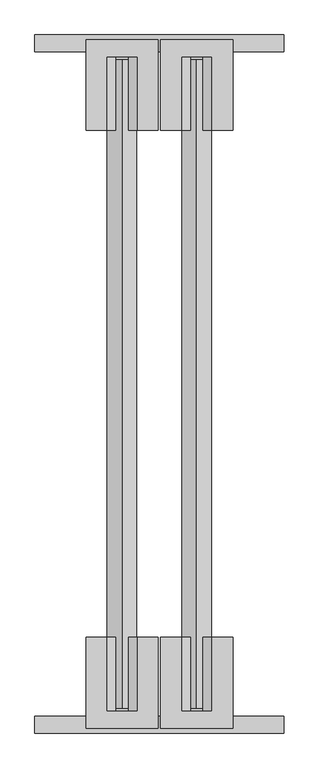
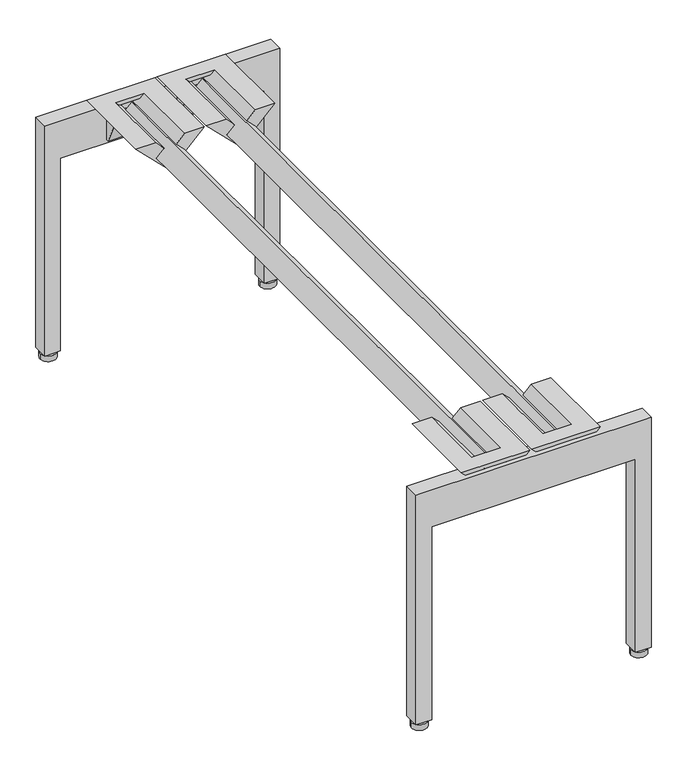
"""IFC4 building model written with IfcOpenShell, lengths in millimetres: furniture geometry."""

from ifc_helpers import new_model, si_unit, point, frame, frame_2d, origin, origin_with_axes, place, context, project, spatial, polyline, circle_curve, trimmed, segment, composite_curve, outline, extrude, faceted_brep, source, transform, mapped, element, save


def furniture_8299800d(model_context):
    return source(origin(), model_context, "Body", "SolidModel", [
        extrude(outline(composite_curve([segment(trimmed(circle_curve(frame_2d((368.2999996, -1054.0999999)), 3.9687499), [point((372.2687495, -1054.0999999))], [point((364.3312497, -1054.0999999))], False, "CARTESIAN"), True, "CONTINUOUS"), segment(trimmed(circle_curve(frame_2d((368.2999996, -1054.0999999)), 3.9687499), [point((364.3312497, -1054.0999999))], [point((372.2687495, -1054.0999999))], False, "CARTESIAN"), True, "CONTINUOUS")], self_intersect=False)), frame((0.0, 0.0, 9.525), z_axis=(0.0, 0.0, 1.0), x_axis=(1.0, 0.0, 0.0)), (0.0, 0.0, 1.0), 3.1750004),
        extrude(outline(composite_curve([segment(trimmed(circle_curve(frame_2d((368.2999996, -1054.0999996)), 12.7000004), [point((381.0, -1054.0999996))], [point((355.5999992, -1054.0999996))], False, "CARTESIAN"), True, "CONTINUOUS"), segment(trimmed(circle_curve(frame_2d((368.2999996, -1054.0999996)), 12.7000004), [point((355.5999992, -1054.0999996))], [point((381.0, -1054.0999996))], False, "CARTESIAN"), True, "CONTINUOUS")], self_intersect=False)), origin_with_axes(), (0.0, 0.0, 1.0), 9.525),
        faceted_brep([(192.4050254, -920.7522285, 412.7499879), (224.1549952, -920.7522285, 412.7499879), (237.8993597, -920.7522285, 399.0056233), (225.1993586, -920.7522285, 386.3056404), (247.6500091, -920.7522285, 363.8549982), (270.1006464, -920.7522285, 386.3056355), (257.4006403, -920.7522285, 399.0056233), (271.1450048, -920.7522285, 412.7499879), (302.8949746, -920.7522285, 412.7499879), (247.65, -920.7522285, 357.5050133), (192.4050254, -1059.1847672, 412.7499879), (247.65, -1059.1847672, 357.5050133), (302.8949746, -1059.1847672, 412.7499879), (257.4006403, -1059.1847672, 399.0056233), (270.1006464, -1059.1847672, 386.3056355), (247.6500091, -1059.1847672, 363.8549982), (225.1993586, -1059.1847672, 386.3056404), (237.8993597, -1059.1847672, 399.0056233), (230.5049709, -1059.1847672, 406.4000121), (264.7950291, -1059.1847672, 406.4000121), (247.65, -1032.3509835, 357.5050133), (214.2753111, -1016.389187, 390.8797022), (214.2753111, -1041.3999992, 390.8797022), (247.65, -1041.3999992, 357.5050133), (280.9503111, -1041.3999992, 390.8053245), (280.9503111, -1016.424759, 390.8053245), (270.1006464, -1041.3999992, 386.3056355), (247.6500091, -1041.3999992, 363.8549982), (247.6500091, -1029.3140364, 363.8549982), (270.1006464, -1018.5767826, 386.3056355), (225.1993586, -1041.3999992, 386.3056404), (225.1993586, -1018.5767803, 386.3056404), (271.1450048, -1033.7822252, 412.7499879), (224.1549952, -1033.7822252, 412.7499879), (264.7950291, -1033.7822252, 406.4000121), (264.7128134, -1015.9999985, 391.6934607), (264.7128134, -1041.3999992, 391.6934607), (230.5871866, -1041.3999992, 391.6934607), (230.5871866, -1015.9999985, 391.6934607), (230.5049709, -1033.7822252, 406.4000121), (280.9503111, -1036.3199995, 349.2061558), (280.9503111, -1041.3999992, 349.2061558), (214.2753111, -1041.3999992, 349.2061558), (214.2753111, -1036.3199995, 349.2061558)], [[[0, 1, 2, 3, 4, 5, 6, 7, 8, 9]], [[10, 11, 12], [13, 14, 15, 16, 17, 18, 19]], [[9, 20, 21, 22, 23, 11, 10, 0]], [[12, 11, 23, 24, 25, 20, 9, 8]], [[14, 26, 27, 15]], [[4, 28, 29, 5]], [[15, 27, 30, 16]], [[3, 31, 28, 4]], [[7, 32, 33, 1, 0, 10, 12, 8]], [[6, 13, 19, 34, 32, 7]], [[5, 29, 35, 36, 26, 14, 13, 6]], [[2, 17, 16, 30, 37, 38, 31, 3]], [[1, 33, 39, 18, 17, 2]], [[40, 25, 24, 41]], [[42, 22, 21, 43]], [[37, 30, 27, 26, 36]], [[41, 24, 23, 22, 42]], [[36, 35, 38, 37]], [[35, 29, 28, 31, 38]], [[43, 21, 20, 25, 40]], [[41, 42, 43, 40]], [[32, 34, 39, 33]], [[18, 39, 34, 19]]]),
        faceted_brep([(78.1050254, -920.7522285, 412.7499879), (109.8550042, -920.7522285, 412.7499879), (123.5993597, -920.7522285, 399.0056233), (110.8993631, -920.7522285, 386.3056358), (133.3500091, -920.7522285, 363.8549982), (155.8006464, -920.7522285, 386.3056355), (143.1006403, -920.7522285, 399.0056233), (156.8450048, -920.7522285, 412.7499879), (188.5949746, -920.7522285, 412.7499879), (133.35, -920.7522285, 357.5050133), (78.1050254, -1059.1847672, 412.7499879), (133.35, -1059.1847672, 357.5050133), (188.5949746, -1059.1847672, 412.7499879), (143.1006403, -1059.1847672, 399.0056233), (155.8006464, -1059.1847672, 386.3056355), (133.3500091, -1059.1847672, 363.8549982), (110.8993631, -1059.1847672, 386.3056358), (123.5993597, -1059.1847672, 399.0056233), (116.2049758, -1059.1847672, 406.4000121), (150.4950291, -1059.1847672, 406.4000121), (133.35, -1032.3509835, 357.5050133), (99.9753021, -1016.3891827, 390.8797113), (99.9753021, -1041.3999992, 390.8797113), (133.35, -1041.3999992, 357.5050133), (166.6503111, -1041.3999992, 390.8053245), (166.6503111, -1016.424759, 390.8053245), (155.8006464, -1041.3999992, 386.3056355), (133.3500091, -1041.3999992, 363.8549982), (133.3500091, -1029.3140364, 363.8549982), (155.8006464, -1018.5767826, 386.3056355), (110.8993631, -1041.3999992, 386.3056358), (110.8993631, -1018.5767825, 386.3056358), (156.8450048, -1033.7822252, 412.7499879), (109.8550042, -1033.7822252, 412.7499879), (150.4950291, -1033.7822252, 406.4000121), (150.4128134, -1015.9999985, 391.6934607), (150.4128134, -1041.3999992, 391.6934607), (116.2871918, -1041.3999992, 391.6934607), (116.2871918, -1015.9999985, 391.6934607), (116.2049758, -1033.7822252, 406.4000121), (166.6503111, -1036.3199995, 349.2061558), (166.6503111, -1041.3999992, 349.2061558), (99.9753021, -1041.3999992, 349.2061558), (99.9753021, -1036.3199995, 349.2061558)], [[[0, 1, 2, 3, 4, 5, 6, 7, 8, 9]], [[10, 11, 12], [13, 14, 15, 16, 17, 18, 19]], [[9, 20, 21, 22, 23, 11, 10, 0]], [[12, 11, 23, 24, 25, 20, 9, 8]], [[14, 26, 27, 15]], [[4, 28, 29, 5]], [[15, 27, 30, 16]], [[3, 31, 28, 4]], [[7, 32, 33, 1, 0, 10, 12, 8]], [[6, 13, 19, 34, 32, 7]], [[5, 29, 35, 36, 26, 14, 13, 6]], [[2, 17, 16, 30, 37, 38, 31, 3]], [[1, 33, 39, 18, 17, 2]], [[40, 25, 24, 41]], [[42, 22, 21, 43]], [[37, 30, 27, 26, 36]], [[41, 24, 23, 22, 42]], [[36, 35, 38, 37]], [[35, 29, 28, 31, 38]], [[43, 21, 20, 25, 40]], [[41, 42, 43, 40]], [[32, 34, 39, 33]], [[18, 39, 34, 19]]]),
        extrude(outline(polyline([(12.7000004, 0.0), (12.7000004, 25.4000008), (342.9, 25.4000008), (342.9, 355.5999879), (12.7000004, 355.5999879), (12.7000004, 381.0), (406.4000121, 381.0), (406.4000121, 0.0), (12.7000004, 0.0)])), frame((0.0, -1066.8, 0.0), z_axis=(0.0, 1.0, 0.0), x_axis=(0.0, 0.0, 1.0)), (0.0, 0.0, 1.0), 25.4000008),
        extrude(outline(composite_curve([segment(trimmed(circle_curve(frame_2d((12.7000004, -1054.0999999)), 3.9687499), [point((16.6687503, -1054.0999999))], [point((8.7312505, -1054.0999999))], False, "CARTESIAN"), True, "CONTINUOUS"), segment(trimmed(circle_curve(frame_2d((12.7000004, -1054.0999999)), 3.9687499), [point((8.7312505, -1054.0999999))], [point((16.6687503, -1054.0999999))], False, "CARTESIAN"), True, "CONTINUOUS")], self_intersect=False)), frame((0.0, 0.0, 9.525), z_axis=(0.0, 0.0, 1.0), x_axis=(1.0, 0.0, 0.0)), (0.0, 0.0, 1.0), 3.1750004),
        extrude(outline(composite_curve([segment(trimmed(circle_curve(frame_2d((12.7000004, -1054.0999996)), 12.7000004), [point((25.4000008, -1054.0999996))], [point((0.0, -1054.0999996))], False, "CARTESIAN"), True, "CONTINUOUS"), segment(trimmed(circle_curve(frame_2d((12.7000004, -1054.0999996)), 12.7000004), [point((0.0, -1054.0999996))], [point((25.4000008, -1054.0999996))], False, "CARTESIAN"), True, "CONTINUOUS")], self_intersect=False)), origin_with_axes(), (0.0, 0.0, 1.0), 9.525),
        extrude(outline(composite_curve([segment(trimmed(circle_curve(frame_2d((368.2999996, -12.7000001)), 3.9687499), [point((372.2687495, -12.7000001))], [point((364.3312497, -12.7000001))], False, "CARTESIAN"), True, "CONTINUOUS"), segment(trimmed(circle_curve(frame_2d((368.2999996, -12.7000001)), 3.9687499), [point((364.3312497, -12.7000001))], [point((372.2687495, -12.7000001))], False, "CARTESIAN"), True, "CONTINUOUS")], self_intersect=False)), frame((0.0, 0.0, 9.525), z_axis=(0.0, 0.0, 1.0), x_axis=(1.0, 0.0, 0.0)), (0.0, 0.0, 1.0), 3.1750004),
        extrude(outline(composite_curve([segment(trimmed(circle_curve(frame_2d((368.2999996, -12.7000004)), 12.7000004), [point((381.0, -12.7000004))], [point((355.5999992, -12.7000004))], False, "CARTESIAN"), True, "CONTINUOUS"), segment(trimmed(circle_curve(frame_2d((368.2999996, -12.7000004)), 12.7000004), [point((355.5999992, -12.7000004))], [point((381.0, -12.7000004))], False, "CARTESIAN"), True, "CONTINUOUS")], self_intersect=False)), origin_with_axes(), (0.0, 0.0, 1.0), 9.525),
        faceted_brep([(192.4050254, -146.0477715, 412.7499879), (247.65, -146.0477715, 357.5050133), (302.8949746, -146.0477715, 412.7499879), (271.1450048, -146.0477715, 412.7499879), (257.4006403, -146.0477715, 399.0056233), (270.1006464, -146.0477715, 386.3056355), (247.6500091, -146.0477715, 363.8549982), (225.1993586, -146.0477715, 386.3056404), (237.8993597, -146.0477715, 399.0056233), (224.1549952, -146.0477715, 412.7499879), (192.4050254, -7.6152328, 412.7499879), (302.8949746, -7.6152328, 412.7499879), (247.65, -7.6152328, 357.5050133), (257.4006403, -7.6152328, 399.0056233), (264.7950291, -7.6152328, 406.4000121), (230.5049709, -7.6152328, 406.4000121), (237.8993597, -7.6152328, 399.0056233), (225.1993586, -7.6152328, 386.3056404), (247.6500091, -7.6152328, 363.8549982), (270.1006464, -7.6152328, 386.3056355), (247.65, -25.4000008, 357.5050133), (214.2753111, -25.4000008, 390.8797022), (214.2753111, -50.410813, 390.8797022), (247.65, -34.4490165, 357.5050133), (280.9503111, -50.375241, 390.8053245), (280.9503111, -25.4000008, 390.8053245), (270.1006464, -48.2232174, 386.3056355), (247.6500091, -37.4859636, 363.8549982), (247.6500091, -25.4000008, 363.8549982), (270.1006464, -25.4000008, 386.3056355), (225.1993586, -48.2232197, 386.3056404), (225.1993586, -25.4000008, 386.3056404), (224.1549952, -33.0177748, 412.7499879), (271.1450048, -33.0177748, 412.7499879), (264.7950291, -33.0177748, 406.4000121), (264.7128134, -25.4000008, 391.6934607), (264.7128134, -50.8000015, 391.6934607), (230.5871866, -50.8000015, 391.6934607), (230.5871866, -25.4000008, 391.6934607), (230.5049709, -33.0177748, 406.4000121), (280.9503111, -30.4800005, 349.2061558), (280.9503111, -25.4000008, 349.2061558), (214.2753111, -25.4000008, 349.2061558), (214.2753111, -30.4800005, 349.2061558)], [[[0, 1, 2, 3, 4, 5, 6, 7, 8, 9]], [[10, 11, 12], [13, 14, 15, 16, 17, 18, 19]], [[1, 0, 10, 12, 20, 21, 22, 23]], [[11, 2, 1, 23, 24, 25, 20, 12]], [[6, 5, 26, 27]], [[19, 18, 28, 29]], [[7, 6, 27, 30]], [[18, 17, 31, 28]], [[3, 2, 11, 10, 0, 9, 32, 33]], [[4, 3, 33, 34, 14, 13]], [[5, 4, 13, 19, 29, 35, 36, 26]], [[8, 7, 30, 37, 38, 31, 17, 16]], [[9, 8, 16, 15, 39, 32]], [[40, 41, 25, 24]], [[42, 43, 22, 21]], [[41, 42, 21, 20, 25]], [[38, 35, 29, 28, 31]], [[35, 38, 37, 36]], [[36, 37, 30, 27, 26]], [[43, 40, 24, 23, 22]], [[41, 40, 43, 42]], [[33, 32, 39, 34]], [[15, 14, 34, 39]]]),
        faceted_brep([(78.1050254, -146.0477715, 412.7499879), (133.35, -146.0477715, 357.5050133), (188.5949746, -146.0477715, 412.7499879), (156.8450048, -146.0477715, 412.7499879), (143.1006403, -146.0477715, 399.0056233), (155.8006464, -146.0477715, 386.3056355), (133.3500091, -146.0477715, 363.8549982), (110.8993631, -146.0477715, 386.3056358), (123.5993597, -146.0477715, 399.0056233), (109.8550042, -146.0477715, 412.7499879), (78.1050254, -7.6152328, 412.7499879), (188.5949746, -7.6152328, 412.7499879), (133.35, -7.6152328, 357.5050133), (143.1006403, -7.6152328, 399.0056233), (150.4950291, -7.6152328, 406.4000121), (116.2049758, -7.6152328, 406.4000121), (123.5993597, -7.6152328, 399.0056233), (110.8993631, -7.6152328, 386.3056358), (133.3500091, -7.6152328, 363.8549982), (155.8006464, -7.6152328, 386.3056355), (133.35, -25.4000008, 357.5050133), (99.9753021, -25.4000008, 390.8797113), (99.9753021, -50.4108173, 390.8797113), (133.35, -34.4490165, 357.5050133), (166.6503111, -50.375241, 390.8053245), (166.6503111, -25.4000008, 390.8053245), (155.8006464, -48.2232174, 386.3056355), (133.3500091, -37.4859636, 363.8549982), (133.3500091, -25.4000008, 363.8549982), (155.8006464, -25.4000008, 386.3056355), (110.8993631, -48.2232175, 386.3056358), (110.8993631, -25.4000008, 386.3056358), (109.8550042, -33.0177748, 412.7499879), (156.8450048, -33.0177748, 412.7499879), (150.4950291, -33.0177748, 406.4000121), (150.4128134, -25.4000008, 391.6934607), (150.4128134, -50.8000015, 391.6934607), (116.2871918, -50.8000015, 391.6934607), (116.2871918, -25.4000008, 391.6934607), (116.2049758, -33.0177748, 406.4000121), (166.6503111, -30.4800005, 349.2061558), (166.6503111, -25.4000008, 349.2061558), (99.9753021, -25.4000008, 349.2061558), (99.9753021, -30.4800005, 349.2061558)], [[[0, 1, 2, 3, 4, 5, 6, 7, 8, 9]], [[10, 11, 12], [13, 14, 15, 16, 17, 18, 19]], [[1, 0, 10, 12, 20, 21, 22, 23]], [[11, 2, 1, 23, 24, 25, 20, 12]], [[6, 5, 26, 27]], [[19, 18, 28, 29]], [[7, 6, 27, 30]], [[18, 17, 31, 28]], [[3, 2, 11, 10, 0, 9, 32, 33]], [[4, 3, 33, 34, 14, 13]], [[5, 4, 13, 19, 29, 35, 36, 26]], [[8, 7, 30, 37, 38, 31, 17, 16]], [[9, 8, 16, 15, 39, 32]], [[40, 41, 25, 24]], [[42, 43, 22, 21]], [[41, 42, 21, 20, 25]], [[38, 35, 29, 28, 31]], [[35, 38, 37, 36]], [[36, 37, 30, 27, 26]], [[43, 40, 24, 23, 22]], [[41, 40, 43, 42]], [[33, 32, 39, 34]], [[15, 14, 34, 39]]]),
        extrude(outline(polyline([(12.7000004, 0.0), (12.7000004, 25.4000008), (342.9, 25.4000008), (342.9, 355.5999879), (12.7000004, 355.5999879), (12.7000004, 381.0), (406.4000121, 381.0), (406.4000121, 0.0), (12.7000004, 0.0)])), frame((0.0, -25.4000008, 0.0), z_axis=(0.0, 1.0, 0.0), x_axis=(0.0, 0.0, 1.0)), (0.0, 0.0, 1.0), 25.4000008),
        extrude(outline(composite_curve([segment(trimmed(circle_curve(frame_2d((12.7000004, -12.7000001)), 3.9687499), [point((16.6687503, -12.7000001))], [point((8.7312505, -12.7000001))], False, "CARTESIAN"), True, "CONTINUOUS"), segment(trimmed(circle_curve(frame_2d((12.7000004, -12.7000001)), 3.9687499), [point((8.7312505, -12.7000001))], [point((16.6687503, -12.7000001))], False, "CARTESIAN"), True, "CONTINUOUS")], self_intersect=False)), frame((0.0, 0.0, 9.525), z_axis=(0.0, 0.0, 1.0), x_axis=(1.0, 0.0, 0.0)), (0.0, 0.0, 1.0), 3.1750004),
        extrude(outline(composite_curve([segment(trimmed(circle_curve(frame_2d((12.7000004, -12.7000004)), 12.7000004), [point((25.4000008, -12.7000004))], [point((0.0, -12.7000004))], False, "CARTESIAN"), True, "CONTINUOUS"), segment(trimmed(circle_curve(frame_2d((12.7000004, -12.7000004)), 12.7000004), [point((0.0, -12.7000004))], [point((25.4000008, -12.7000004))], False, "CARTESIAN"), True, "CONTINUOUS")], self_intersect=False)), origin_with_axes(), (0.0, 0.0, 1.0), 9.525),
        extrude(outline(polyline([(408.7562532, 133.3499965), (386.3056358, 110.8993631), (363.8549982, 133.3500091), (386.3056355, 155.8006464), (408.7562532, 133.3499965)])), frame((0.0, -1028.8051107, 0.0), z_axis=(0.0, 1.0, 0.0), x_axis=(0.0, 0.0, 1.0)), (0.0, 0.0, 1.0), 990.7051107),
        extrude(outline(polyline([(363.8549982, 247.6500091), (386.3056355, 270.1006464), (408.7562497, 247.65), (386.3056404, 225.1993586), (363.8549982, 247.6500091)])), frame((0.0, -1028.8051107, 0.0), z_axis=(0.0, 1.0, 0.0), x_axis=(0.0, 0.0, 1.0)), (0.0, 0.0, 1.0), 990.7051107),
    ])


if __name__ == "__main__":
    model = new_model("IFC4")
    model_context = context("Model", 3, world=origin())
    ifc_project = project(units=[si_unit("LENGTHUNIT", "METRE", prefix="MILLI")], contexts=[model_context])
    site = spatial("IfcSite", under=ifc_project)
    building = spatial("IfcBuilding", under=site)
    placement = place(None, origin())
    furniture_shape = furniture_8299800d(model_context)
    element("IfcFurniture", 1, at=placement, inside=building, context=model_context, shape_type="MappedRepresentation", body=[
        mapped(furniture_shape, transform((0.0, 0.0, 0.0), x_axis=(1.0, 0.0, 0.0), y_axis=(0.0, 1.0, 0.0), z_axis=(0.0, 0.0, 1.0))),
    ])
    save(model, "model.ifc")
